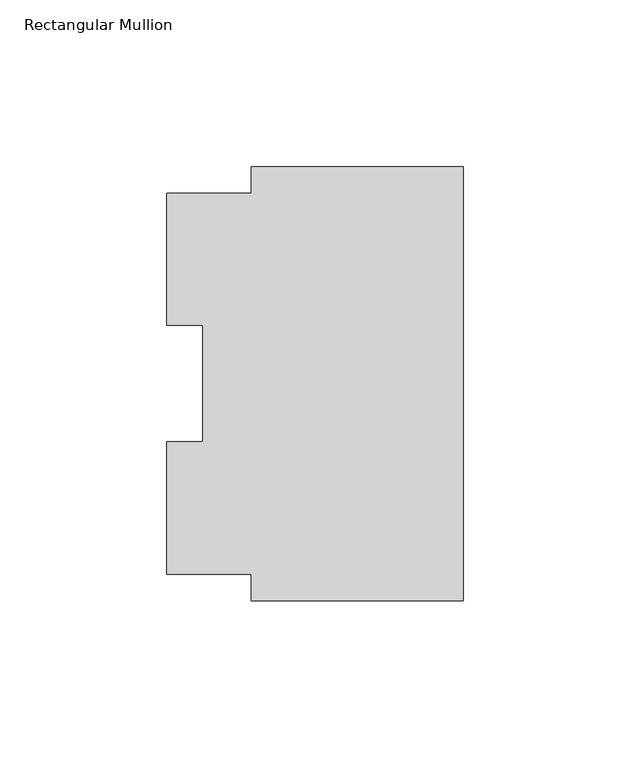
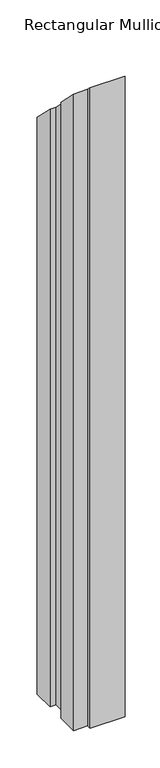
"""IFC4 building model written with IfcOpenShell, lengths in millimetres: member geometry, Rectangular Mullion."""

from ifc_helpers import new_model, si_unit, origin, place, context, project, spatial, faceted_brep, source, transform, mapped, element, save


def rectangular_mullion_09a1f0f0(model_context):
    return source(origin(), model_context, "Body", "Brep", [
        faceted_brep([(0.0, 122.208925, -1219.2), (0.0, -7.966075, -1219.2), (-63.5, -7.966075, -1219.2), (-63.5, -0.028575, -1219.2), (-88.9, -0.028575, -1219.2), (-88.9, 39.646225, -1219.2), (-78.0415, 39.646225, -1219.2), (-78.0415, 74.596625, -1219.2), (-88.9, 74.596625, -1219.2), (-88.9, 114.271425, -1219.2), (-63.5, 114.271425, -1219.2), (-63.5, 122.208925, -1219.2), (-63.5, 122.208925, -122.208925), (0.0, 122.208925, -122.208925), (-63.5, 114.271425, -114.271425), (-88.9, 114.271425, -114.271425), (-88.9, 74.596625, -74.596625), (-78.0415, 74.596625, -74.596625), (-78.0415, 39.646225, -39.646225), (-88.9, 39.646225, -39.646225), (-88.9, -0.028575, 0.028575), (-63.5, -0.028575, 0.028575), (-63.5, -7.966075, 7.966075), (0.0, -7.966075, 7.966075)], [[[0, 1, 2, 3, 4, 5, 6, 7, 8, 9, 10, 11]], [[12, 13, 0, 11]], [[14, 12, 11, 10]], [[15, 14, 10, 9]], [[16, 15, 9, 8]], [[17, 16, 8, 7]], [[18, 17, 7, 6]], [[19, 18, 6, 5]], [[20, 19, 5, 4]], [[21, 20, 4, 3]], [[22, 21, 3, 2]], [[23, 22, 2, 1]], [[13, 23, 1, 0]], [[13, 12, 14, 15, 16, 17, 18, 19, 20, 21, 22, 23]]]),
    ])


if __name__ == "__main__":
    model = new_model("IFC4")
    model_context = context("Model", 3, world=origin())
    ifc_project = project(units=[si_unit("LENGTHUNIT", "METRE", prefix="MILLI")], contexts=[model_context])
    site = spatial("IfcSite", under=ifc_project)
    building = spatial("IfcBuilding", under=site)
    placement = place(None, origin())
    rectangular_mullion_shape = rectangular_mullion_09a1f0f0(model_context)
    element("IfcMember", 1, ObjectType="Rectangular Mullion", at=placement, inside=building, context=model_context, shape_type="MappedRepresentation", body=[
        mapped(rectangular_mullion_shape, transform((0.0, 0.0, 0.0), x_axis=(1.0, 0.0, 0.0), y_axis=(0.0, 1.0, 0.0), z_axis=(0.0, 0.0, 1.0))),
    ])
    save(model, "model.ifc")
